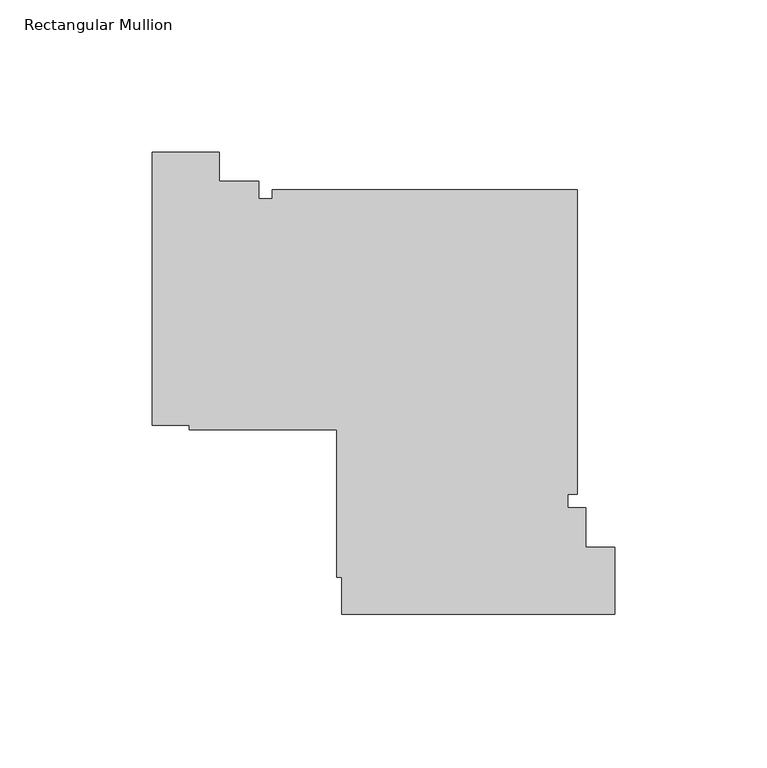
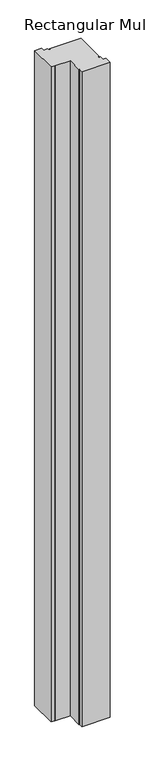
"""IFC4 building model written with IfcOpenShell, lengths in millimetres: member geometry, Rectangular Mullion."""

from ifc_helpers import new_model, si_unit, frame, origin, place, context, project, spatial, polyline, outline, extrude, source, transform, mapped, element, save


def rectangular_mullion_a9d86805(model_context):
    return source(origin(), model_context, "Body", "SweptSolid", [
        extrude(outline(polyline([(-171.2099738, -15.0000854), (-149.2099129, -15.0000854), (-149.2099129, -24.5000025), (-136.2099738, -24.5000025), (-136.2099738, -30.3000025), (-131.8100025, -30.3000025), (-131.8100025, -27.3000025), (-31.8100025, -27.3000025), (-31.8100025, -127.3000025), (-34.8100025, -127.3000025), (-34.8100025, -131.6999738), (-29.0100025, -131.6999738), (-29.0100025, -144.6999129), (-19.5100025, -144.6999129), (-19.5100025, -166.6999738), (-109.0100025, -166.6999738), (-109.0100025, -154.5000025), (-110.6100025, -154.5000025), (-110.6100025, -106.1000025), (-159.0100025, -106.1000025), (-159.0100025, -104.5000025), (-171.2099738, -104.5000025), (-171.2099738, -15.0000854)])), frame((0.0, 0.0, -2200.0), z_axis=(0.0, 0.0, 1.0), x_axis=(1.0, 0.0, 0.0)), (0.0, 0.0, 1.0), 2200.0),
    ])


if __name__ == "__main__":
    model = new_model("IFC4")
    model_context = context("Model", 3, world=origin())
    ifc_project = project(units=[si_unit("LENGTHUNIT", "METRE", prefix="MILLI")], contexts=[model_context])
    site = spatial("IfcSite", under=ifc_project)
    building = spatial("IfcBuilding", under=site)
    placement = place(None, origin())
    rectangular_mullion_shape = rectangular_mullion_a9d86805(model_context)
    element("IfcMember", 1, ObjectType="Rectangular Mullion", at=placement, inside=building, context=model_context, shape_type="MappedRepresentation", body=[
        mapped(rectangular_mullion_shape, transform((0.0, 0.0, 0.0), x_axis=(1.0, 0.0, 0.0), y_axis=(0.0, 1.0, 0.0), z_axis=(0.0, 0.0, 1.0))),
    ])
    save(model, "model.ifc")
